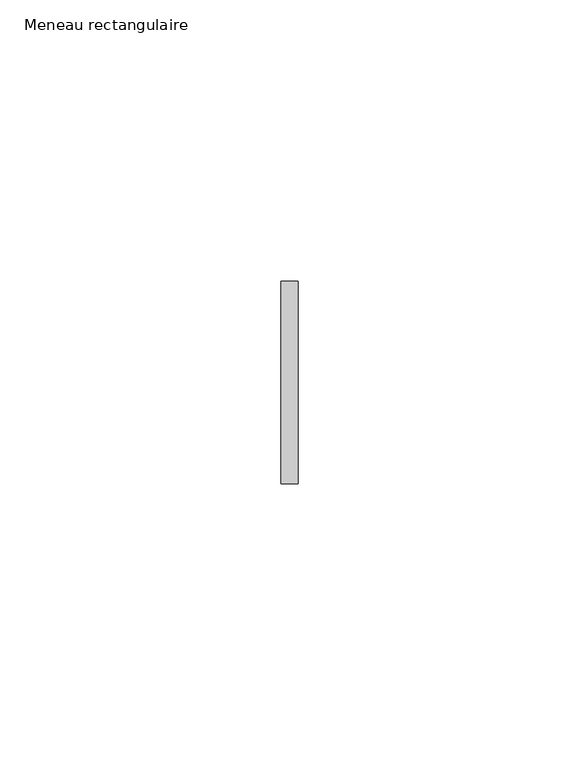
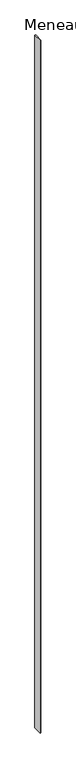
"""IFC4 building model written with IfcOpenShell, lengths in millimetres: member geometry, Meneau rectangulaire."""

from ifc_helpers import new_model, si_unit, frame, origin, place, context, project, spatial, polyline, outline, extrude, source, transform, mapped, element, save


def meneau_rectangulaire_37c95784(model_context):
    return source(origin(), model_context, "Body", "SweptSolid", [
        extrude(outline(polyline([(-1.5, 18.0), (1.5, 18.0), (1.5, -18.0), (-1.5, -18.0), (-1.5, 18.0)])), frame((0.0, 0.0, -2933.0), z_axis=(0.0, 0.0, 1.0), x_axis=(1.0, 0.0, 0.0)), (0.0, 0.0, 1.0), 2933.0),
    ])


if __name__ == "__main__":
    model = new_model("IFC4")
    model_context = context("Model", 3, world=origin())
    ifc_project = project(units=[si_unit("LENGTHUNIT", "METRE", prefix="MILLI")], contexts=[model_context])
    site = spatial("IfcSite", under=ifc_project)
    building = spatial("IfcBuilding", under=site)
    placement = place(None, origin())
    meneau_rectangulaire_shape = meneau_rectangulaire_37c95784(model_context)
    element("IfcMember", 1, ObjectType="Meneau rectangulaire", at=placement, inside=building, context=model_context, shape_type="MappedRepresentation", body=[
        mapped(meneau_rectangulaire_shape, transform((0.0, 0.0, 0.0), x_axis=(1.0, 0.0, 0.0), y_axis=(0.0, 1.0, 0.0), z_axis=(0.0, 0.0, 1.0))),
    ])
    save(model, "model.ifc")
